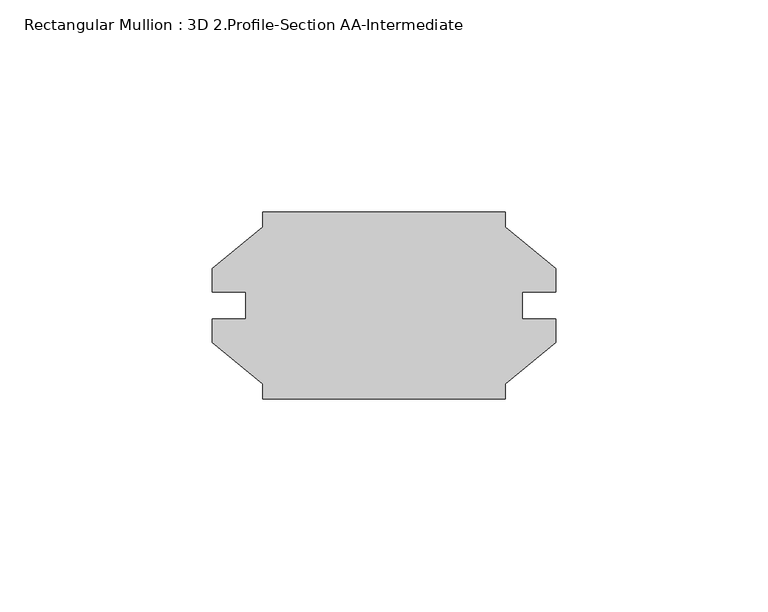
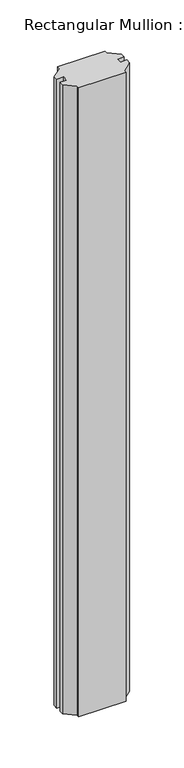
"""IFC4 building model written with IfcOpenShell, lengths in millimetres: member geometry, Rectangular Mullion : 3D 2.Profile-Section AA-Intermediate."""

from ifc_helpers import new_model, si_unit, frame, origin, place, context, project, spatial, polyline, outline, extrude, source, transform, mapped, element, save


def rectangular_mullion_3d_2_profile_section_aa_intermediate_7ea71222(model_context):
    return source(origin(), model_context, "Body", "SweptSolid", [
        extrude(outline(polyline([(-28.575, -22.0345), (-28.575, -18.518836), (-40.48125, -8.7503), (-40.48125, -3.175), (-32.5374, -3.175), (-32.5374, 3.175), (-40.48125, 3.175), (-40.48125, 8.7503), (-28.575, 18.518836), (-28.575, 22.0345), (28.575, 22.0345), (28.575, 18.518836), (40.48125, 8.7503), (40.48125, 3.175), (32.5374, 3.175), (32.5374, -3.175), (40.48125, -3.175), (40.48125, -8.7503), (28.575, -18.518836), (28.575, -22.0345), (-28.575, -22.0345)])), frame((0.0, 0.0, -800.7057426), z_axis=(0.0, 0.0, 1.0), x_axis=(1.0, 0.0, 0.0)), (0.0, 0.0, 1.0), 800.7057426),
    ])


if __name__ == "__main__":
    model = new_model("IFC4")
    model_context = context("Model", 3, world=origin())
    ifc_project = project(units=[si_unit("LENGTHUNIT", "METRE", prefix="MILLI")], contexts=[model_context])
    site = spatial("IfcSite", under=ifc_project)
    building = spatial("IfcBuilding", under=site)
    placement = place(None, origin())
    rectangular_mullion_3d_2_profile_section_aa_intermediate_shape = rectangular_mullion_3d_2_profile_section_aa_intermediate_7ea71222(model_context)
    element("IfcMember", 1, ObjectType="Rectangular Mullion : 3D 2.Profile-Section AA-Intermediate", at=placement, inside=building, context=model_context, shape_type="MappedRepresentation", body=[
        mapped(rectangular_mullion_3d_2_profile_section_aa_intermediate_shape, transform((0.0, 0.0, 0.0), x_axis=(1.0, 0.0, 0.0), y_axis=(0.0, 1.0, 0.0), z_axis=(0.0, 0.0, 1.0))),
    ])
    save(model, "model.ifc")
